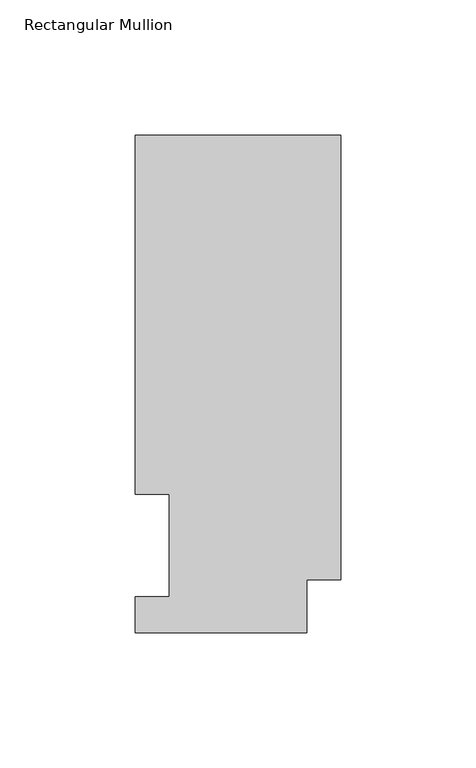
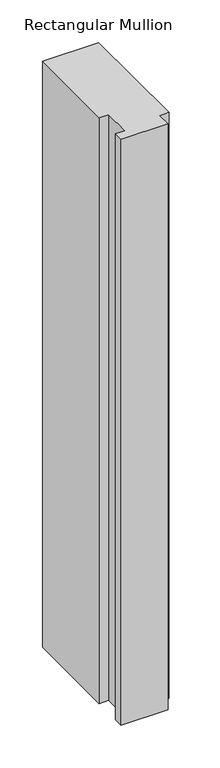
"""IFC4 building model written with IfcOpenShell, lengths in millimetres: member geometry, Rectangular Mullion."""

from ifc_helpers import new_model, si_unit, frame, origin, place, context, project, spatial, polyline, outline, extrude, source, transform, mapped, element, save


def rectangular_mullion_6451f79a(model_context):
    return source(origin(), model_context, "Body", "SweptSolid", [
        extrude(outline(polyline([(-76.2, 0.0134938), (-76.2, 13.1960938), (-63.5, 13.1960938), (-63.5, 51.2960937), (-76.2, 51.2960938), (-76.2, 184.2396938), (0.0, 184.2396937), (0.0, 19.5460937), (-12.7, 19.5460937), (-12.7, 0.0134938), (-76.2, 0.0134938)])), frame((0.0, 0.0, -838.2), z_axis=(0.0, 0.0, 1.0), x_axis=(1.0, 0.0, 0.0)), (0.0, 0.0, 1.0), 838.2),
    ])


if __name__ == "__main__":
    model = new_model("IFC4")
    model_context = context("Model", 3, world=origin())
    ifc_project = project(units=[si_unit("LENGTHUNIT", "METRE", prefix="MILLI")], contexts=[model_context])
    site = spatial("IfcSite", under=ifc_project)
    building = spatial("IfcBuilding", under=site)
    placement = place(None, origin())
    rectangular_mullion_shape = rectangular_mullion_6451f79a(model_context)
    element("IfcMember", 1, ObjectType="Rectangular Mullion", at=placement, inside=building, context=model_context, shape_type="MappedRepresentation", body=[
        mapped(rectangular_mullion_shape, transform((0.0, 0.0, 0.0), x_axis=(1.0, 0.0, 0.0), y_axis=(0.0, 1.0, 0.0), z_axis=(0.0, 0.0, 1.0))),
    ])
    save(model, "model.ifc")
